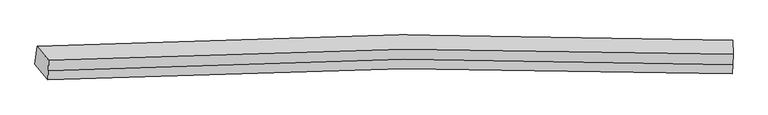
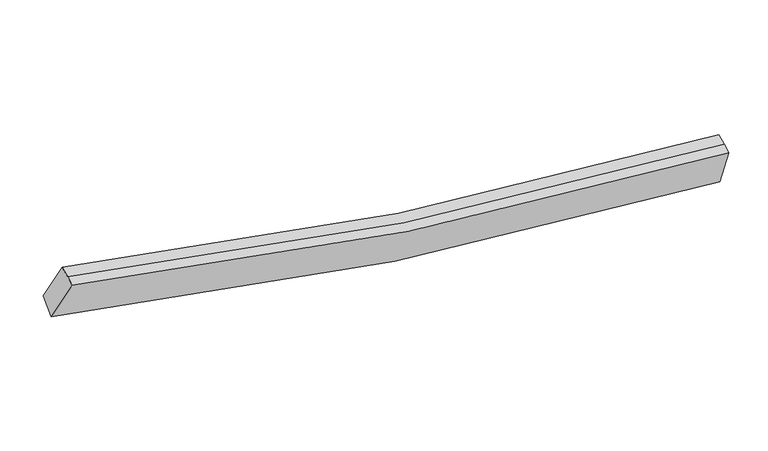
"""IFC4 building model written with IfcOpenShell, lengths in millimetres: proxy geometry."""

from ifc_helpers import new_model, si_unit, frame, origin, place, context, project, spatial, source, transform, mapped, element, save
from ifc_brep_helpers import plane_surface, spline_curve, spline_surface, advanced_brep


def generic_models_28c91bf0(model_context):
    return source(origin(), model_context, "Body", "AdvancedBrep", [
        advanced_brep(
        [(-5581.0722384, -2451.5541682, 4368.8089566), (-5806.4998514, -2181.607938, 3683.8188661), (6370.3185543, -2073.8018437, 1942.2735913), (6377.6978608, -2346.6970409, 2662.2553669), (-5573.3508734, -2288.0475795, 4430.703835), (6385.4192257, -2183.1904522, 2724.1502453), (-5564.9676771, -2110.5261403, 4497.9039887), (6393.802422, -2005.6690131, 2791.350399), (-5769.9018708, -1865.1204765, 3875.1857246), (6387.0939615, -1757.5824701, 2136.8215121)],
        [
            (0, 1),
            (1, 2, spline_curve(3, [(-5806.4998514, -2181.607938, 3683.8188661), (-3708.164989762, -2062.518833802, 3119.298128966), (-1594.196028511, -1995.990883381, 2691.176978582), (2467.508813204, -1969.352582574, 2134.788369445), (4412.479321134, -1999.945168406, 1982.394427984), (6370.3185543, -2073.8018437, 1942.2735913)], [4, 2, 4], [0.0, 21.02265741890967, 40.09565491872551])),
            (2, 3),
            (3, 0, spline_curve(3, [(6377.6978608, -2346.6970409, 2662.2553669), (4444.567071572, -2274.245683771, 2703.006236824), (2528.998060816, -2244.167495004, 2853.091224464), (-1461.032507215, -2270.014256795, 3398.447500786), (-3531.720195877, -2335.044822268, 3817.213710267), (-5581.0722384, -2451.5541682, 4368.8089566)], [4, 2, 4], [0.0, 19.072997499815838, 40.09565491872551])),
            (4, 0),
            (3, 5),
            (5, 4, spline_curve(3, [(6385.4192257, -2183.1904522, 2724.1502453), (4452.288436548, -2110.739094839, 2764.901115183), (2536.719426061, -2080.660905969, 2914.98610258), (-1453.311142486, -2106.507668464, 3460.342379499), (-3523.998830861, -2171.538233019, 3879.108588171), (-5573.3508734, -2288.0475795, 4430.703835)], [4, 2, 4], [0.0, 18.90017018732824, 39.73233372172433])),
            (6, 4),
            (5, 7),
            (7, 6, spline_curve(3, [(6393.802422, -2005.6690131, 2791.350399), (4460.671632848, -1933.217655739, 2832.101268883), (2545.102622261, -1903.139466869, 2982.18625628), (-1444.927946286, -1928.986229364, 3527.542533199), (-3515.615634561, -1994.016793819, 3946.308741871), (-5564.9676771, -2110.5261403, 4497.9039887)], [4, 2, 4], [0.0, 18.900170187328253, 39.732333721724366])),
            (8, 6),
            (7, 9),
            (9, 8, spline_curve(3, [(6387.0939615, -1757.5824701, 2136.8215121), (4431.500950208, -1683.85355087, 2176.99962464), (2489.203306443, -1653.30772901, 2329.18366129), (-1565.985693111, -1679.874070719, 2884.569330778), (-3676.019993028, -1746.265895889, 3311.840032172), (-5769.9018708, -1865.1204765, 3875.1857246)], [4, 2, 4], [0.0, 19.057285916910008, 40.062625699987066])),
            (1, 8),
            (9, 2),
        ],
        [
            spline_surface(3, 3, [[(-5581.0722384, -2451.5541682, 4368.8089566), (-3531.720196019, -2335.044821957, 3817.213710034), (-1461.032507258, -2270.014257099, 3398.447500807), (2528.998060854, -2244.167494728, 2853.091224445), (4444.567071886, -2274.245683803, 2703.006237076), (6377.6978608, -2346.6970409, 2662.2553669)], [(-5656.214776069, -2361.572091468, 4140.47892643), (-3590.535127321, -2244.202825857, 3584.575182987), (-1505.420347774, -2178.673132424, 3162.690660108), (2508.501645036, -2152.562524052, 2613.656939423), (4433.871154894, -2182.812178702, 2462.802300697), (6375.238091966, -2255.731975164, 2422.261441705)], [(-5731.357313731, -2271.590014732, 3912.14889627), (-3649.350058615, -2153.360829753, 3351.93665595), (-1549.808188252, -2087.332007829, 2926.933819383), (2488.005229256, -2060.957553457, 2374.222654374), (4423.175237903, -2091.378673609, 2222.598364304), (6372.778323134, -2164.766909436, 2182.267516495)], [(-5806.4998514, -2181.607938, 3683.8188661), (-3708.164989917, -2062.518833653, 3119.298128903), (-1594.196028768, -1995.990883153, 2691.176978684), (2467.508813438, -1969.352582781, 2134.788369352), (4412.479320911, -1999.945168508, 1982.394427925), (6370.3185543, -2073.8018437, 1942.2735913)]], [4, 4], [4, 2, 4], [0.0, 2.52586085791183], [0.0, 21.02265741890967, 40.09565491872551]),
            spline_surface(3, 3, [[(-5573.3508734, -2288.0475795, 4430.703835), (-3523.998831019, -2171.538233257, 3879.108588434), (-1453.311142258, -2106.507668399, 3460.342379207), (2536.719425854, -2080.660906028, 2914.986102845), (4452.288436786, -2110.739095103, 2764.901115476), (6385.4192257, -2183.1904522, 2724.1502453)], [(-5575.924661724, -2342.549775736, 4410.072208866), (-3526.572619344, -2226.040429493, 3858.4769623), (-1455.884930582, -2161.009864635, 3439.710753073), (2534.14563753, -2135.163102264, 2894.354476712), (4449.714648462, -2165.241291339, 2744.269489342), (6382.845437376, -2237.692648436, 2703.518619166)], [(-5578.498450076, -2397.051971964, 4389.440582734), (-3529.146407695, -2280.542625721, 3837.845336168), (-1458.458718934, -2215.512060864, 3419.07912694), (2531.571849179, -2189.665298493, 2873.722850579), (4447.14086021, -2219.743487568, 2723.63786321), (6380.271649124, -2292.194844664, 2682.886993034)], [(-5581.0722384, -2451.5541682, 4368.8089566), (-3531.720196019, -2335.044821957, 3817.213710034), (-1461.032507258, -2270.014257099, 3398.447500807), (2528.998060854, -2244.167494728, 2853.091224445), (4444.567071886, -2274.245683803, 2703.006237076), (6377.6978608, -2346.6970409, 2662.2553669)]], [4, 4], [4, 2, 4], [0.0, 0.5741469816272974], [0.0, 20.83216353439609, 39.73233372172433]),
            spline_surface(3, 3, [[(-5564.9676771, -2110.5261403, 4497.9039887), (-3515.615634719, -1994.016794057, 3946.308742134), (-1444.927946058, -1928.986229299, 3527.542532907), (2545.102622054, -1903.139466928, 2982.186256545), (4460.671633086, -1933.217656003, 2832.101269176), (6393.802422, -2005.6690131, 2791.350399)], [(-5567.762075852, -2169.699953356, 4475.503937469), (-3518.410033471, -2053.190607113, 3923.908690903), (-1447.72234481, -1988.160042355, 3505.142481675), (2542.308223302, -1962.313279984, 2959.786205314), (4457.877234334, -1992.391469059, 2809.701217945), (6391.008023248, -2064.842826156, 2768.950347769)], [(-5570.556474648, -2228.873766444, 4453.103886231), (-3521.204432267, -2112.364420201, 3901.508639665), (-1450.516743506, -2047.333855344, 3482.742430438), (2539.513824606, -2021.487092972, 2937.386154077), (4455.082835538, -2051.565282047, 2787.301166707), (6388.213624452, -2124.016639144, 2746.550296531)], [(-5573.3508734, -2288.0475795, 4430.703835), (-3523.998831019, -2171.538233257, 3879.108588434), (-1453.311142258, -2106.507668399, 3460.342379207), (2536.719425854, -2080.660906028, 2914.986102845), (4452.288436786, -2110.739095103, 2764.901115476), (6385.4192257, -2183.1904522, 2724.1502453)]], [4, 4], [4, 2, 4], [0.0, 0.6233595800524976], [0.0, 20.832163534396113, 39.732333721724366]),
            spline_surface(3, 3, [[(-5769.9018708, -1865.1204765, 3875.1857246), (-3676.019992872, -1746.265895617, 3311.840032006), (-1565.985692877, -1679.874071066, 2884.569331032), (2489.20330623, -1653.307728695, 2329.18366106), (4431.500950336, -1683.853551099, 2176.999624502), (6387.0939615, -1757.5824701, 2136.8215121)], [(-5701.590472919, -1946.922364438, 4082.7584793), (-3622.551873506, -1828.849528435, 3523.329602048), (-1525.633110589, -1762.911457135, 3098.893731667), (2507.836411519, -1736.584974764, 2546.851192899), (4441.224511238, -1766.974919373, 2395.366839392), (6389.330114985, -1840.277984406, 2354.997807732)], [(-5633.279074981, -2028.724252362, 4290.331234), (-3569.083754085, -1911.433161239, 3734.819172091), (-1485.280528345, -1845.948843231, 3313.218132272), (2526.469516765, -1819.862220859, 2764.518724707), (4450.948072184, -1850.096287729, 2613.734054286), (6391.566268515, -1922.973498794, 2573.174103368)], [(-5564.9676771, -2110.5261403, 4497.9039887), (-3515.615634719, -1994.016794057, 3946.308742134), (-1444.927946058, -1928.986229299, 3527.542532907), (2545.102622054, -1903.139466928, 2982.186256545), (4460.671633086, -1933.217656003, 2832.101269176), (6393.802422, -2005.6690131, 2791.350399)]], [4, 4], [4, 2, 4], [0.0, 2.2962371435561906], [0.0, 21.00533978307706, 40.062625699987066]),
            spline_surface(3, 3, [[(-5806.4998514, -2181.607938, 3683.8188661), (-3708.164989917, -2062.518833653, 3119.298128903), (-1594.196028768, -1995.990883153, 2691.176978684), (2467.508813438, -1969.352582781, 2134.788369352), (4412.479320911, -1999.945168508, 1982.394427925), (6370.3185543, -2073.8018437, 1942.2735913)], [(-5794.300524536, -2076.112117502, 3747.607818935), (-3697.449990904, -1957.101187644, 3183.478763272), (-1584.792583463, -1890.618612469, 2755.641096113), (2474.740311043, -1864.004298097, 2199.586799901), (4418.819864077, -1894.581296044, 2047.262826779), (6375.910356725, -1968.395385839, 2007.122898228)], [(-5782.101197664, -1970.616296998, 3811.396771765), (-3686.734991885, -1851.683541627, 3247.659397636), (-1575.389138182, -1785.246341751, 2820.105213603), (2481.971808625, -1758.656013379, 2264.385230512), (4425.16040717, -1789.217423563, 2112.131225648), (6381.502159075, -1862.988927961, 2071.972205172)], [(-5769.9018708, -1865.1204765, 3875.1857246), (-3676.019992872, -1746.265895617, 3311.840032006), (-1565.985692877, -1679.874071066, 2884.569331032), (2489.20330623, -1653.307728695, 2329.18366106), (4431.500950336, -1683.853551099, 2176.999624502), (6387.0939615, -1757.5824701, 2136.8215121)]], [4, 4], [4, 2, 4], [0.0, 1.2193231792517587], [0.0, 21.19583388492461, 40.425947311500444]),
            plane_surface(frame((6382.2281996, -2045.937592, 2383.1752173), z_axis=(0.9989801788861588, -0.03786642511695182, -0.024591381446367813), x_axis=(-0.04412208555875282, -0.9343233640397796, -0.3536850194386748))),
            plane_surface(frame((-5680.6104094, -2152.2021808, 4106.429384), z_axis=(-0.9551664719133975, -0.0642950367640074, 0.28900373558144127), x_axis=(0.29276313377620306, -0.35057951973399065, 0.889597520143026))),
        ],
        [
            (0, [[1, 2, 3, 4]]),
            (1, [[5, -4, 6, 7]]),
            (2, [[8, -7, 9, 10]]),
            (3, [[11, -10, 12, 13]]),
            (4, [[14, -13, 15, -2]]),
            (5, [[-9, -6, -3, -15, -12]]),
            (6, [[-1, -5, -8, -11, -14]]),
        ],
    ),
    ])


if __name__ == "__main__":
    model = new_model("IFC4")
    model_context = context("Model", 3, world=origin())
    ifc_project = project(units=[si_unit("LENGTHUNIT", "METRE", prefix="MILLI")], contexts=[model_context])
    site = spatial("IfcSite", under=ifc_project)
    building = spatial("IfcBuilding", under=site)
    placement = place(None, origin())
    generic_models_shape = generic_models_28c91bf0(model_context)
    element("IfcBuildingElementProxy", 1, Name="Generic Models", at=placement, inside=building, context=model_context, shape_type="MappedRepresentation", body=[
        mapped(generic_models_shape, transform((0.0, 0.0, 0.0), x_axis=(1.0, 0.0, 0.0), y_axis=(0.0, 1.0, 0.0), z_axis=(0.0, 0.0, 1.0))),
    ])
    save(model, "model.ifc")
